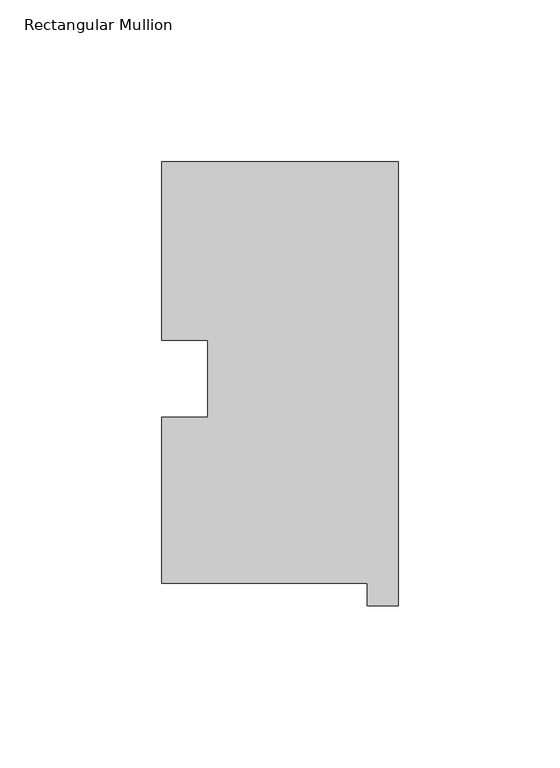
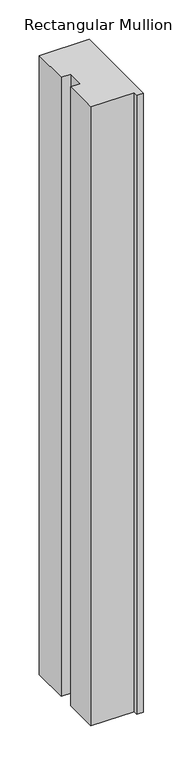
"""IFC4 building model written with IfcOpenShell, lengths in millimetres: member geometry, Rectangular Mullion."""

from ifc_helpers import new_model, si_unit, frame, origin, place, context, project, spatial, polyline, outline, extrude, source, transform, mapped, element, save


def rectangular_mullion_99c225ed(model_context):
    return source(origin(), model_context, "Body", "SweptSolid", [
        extrude(outline(polyline([(-73.025, 130.56235), (0.0, 130.56235), (0.0, -6.64845), (-9.525, -6.64845), (-9.525, 0.26035), (-73.025, 0.26035), (-73.025, 51.60645), (-58.7351579, 51.60645), (-58.7351579, 75.40625), (-73.025, 75.40625), (-73.025, 130.56235)])), frame((0.0, 0.0, -958.85), z_axis=(0.0, 0.0, 1.0), x_axis=(1.0, 0.0, 0.0)), (0.0, 0.0, 1.0), 958.85),
    ])


if __name__ == "__main__":
    model = new_model("IFC4")
    model_context = context("Model", 3, world=origin())
    ifc_project = project(units=[si_unit("LENGTHUNIT", "METRE", prefix="MILLI")], contexts=[model_context])
    site = spatial("IfcSite", under=ifc_project)
    building = spatial("IfcBuilding", under=site)
    placement = place(None, origin())
    rectangular_mullion_shape = rectangular_mullion_99c225ed(model_context)
    element("IfcMember", 1, ObjectType="Rectangular Mullion", at=placement, inside=building, context=model_context, shape_type="MappedRepresentation", body=[
        mapped(rectangular_mullion_shape, transform((0.0, 0.0, 0.0), x_axis=(1.0, 0.0, 0.0), y_axis=(0.0, 1.0, 0.0), z_axis=(0.0, 0.0, 1.0))),
    ])
    save(model, "model.ifc")
